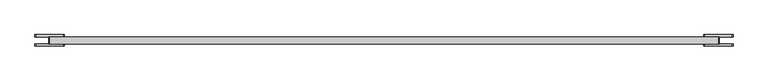
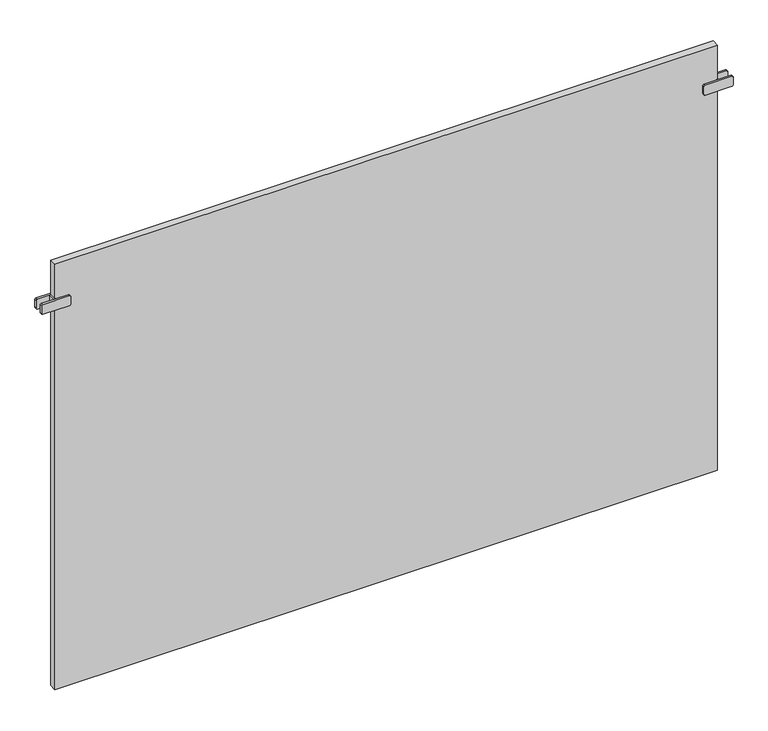
"""IFC4 building model written with IfcOpenShell, lengths in millimetres: plate geometry."""

from ifc_helpers import new_model, si_unit, point, frame, frame_2d, origin, origin_with_axes, place, context, project, spatial, polyline, circle_curve, trimmed, segment, composite_curve, outline, extrude, source, transform, mapped, element, save


def plate_7f13df46(model_context):
    return source(origin(), model_context, "Body", "SweptSolid", [
        extrude(outline(polyline([(-797.5000001, -8.75), (-797.5000001, 8.75), (-792.5000001, 8.75), (-792.5000001, -8.75), (-797.5000001, -8.75)])), frame((0.0, 0.0, 966.5), z_axis=(0.0, 0.0, 1.0), x_axis=(1.0, 0.0, 0.0)), (0.0, 0.0, 1.0), 25.0),
        extrude(outline(composite_curve([segment(trimmed(circle_curve(frame_2d((969.5, -763.0000001)), 3.0), [point((966.5, -763.0000001))], [point((969.5, -760.0000001))], False, "CARTESIAN"), True, "CONTINUOUS"), segment(polyline([(969.5, -760.0000001), (988.5, -760.0000001)]), True, "CONTINUOUS"), segment(trimmed(circle_curve(frame_2d((988.5, -763.0000001)), 3.0), [point((988.5, -760.0000001))], [point((991.5, -763.0000001))], False, "CARTESIAN"), True, "CONTINUOUS"), segment(polyline([(991.5, -763.0000001), (991.5, -827.0000001)]), True, "CONTINUOUS"), segment(trimmed(circle_curve(frame_2d((988.5, -827.0000001)), 3.0), [point((991.5, -827.0000001))], [point((988.5, -830.0000001))], False, "CARTESIAN"), True, "CONTINUOUS"), segment(polyline([(988.5, -830.0000001), (969.5, -830.0000001)]), True, "CONTINUOUS"), segment(trimmed(circle_curve(frame_2d((969.5, -827.0000001)), 3.0), [point((969.5, -830.0000001))], [point((966.5, -827.0000001))], False, "CARTESIAN"), True, "CONTINUOUS"), segment(polyline([(966.5, -827.0000001), (966.5, -763.0000001)]), True, "CONTINUOUS")], self_intersect=False)), frame((0.0, 8.75, 0.0), z_axis=(0.0, 1.0, 0.0), x_axis=(0.0, 0.0, 1.0)), (0.0, 0.0, 1.0), 5.0),
        extrude(outline(composite_curve([segment(trimmed(circle_curve(frame_2d((969.5, -763.0000001)), 3.0), [point((966.5, -763.0000001))], [point((969.5, -760.0000001))], False, "CARTESIAN"), True, "CONTINUOUS"), segment(polyline([(969.5, -760.0000001), (988.5, -760.0000001)]), True, "CONTINUOUS"), segment(trimmed(circle_curve(frame_2d((988.5, -763.0000001)), 3.0), [point((988.5, -760.0000001))], [point((991.5, -763.0000001))], False, "CARTESIAN"), True, "CONTINUOUS"), segment(polyline([(991.5, -763.0000001), (991.5, -827.0000001)]), True, "CONTINUOUS"), segment(trimmed(circle_curve(frame_2d((988.5, -827.0000001)), 3.0), [point((991.5, -827.0000001))], [point((988.5, -830.0000001))], False, "CARTESIAN"), True, "CONTINUOUS"), segment(polyline([(988.5, -830.0000001), (969.5, -830.0000001)]), True, "CONTINUOUS"), segment(trimmed(circle_curve(frame_2d((969.5, -827.0000001)), 3.0), [point((969.5, -830.0000001))], [point((966.5, -827.0000001))], False, "CARTESIAN"), True, "CONTINUOUS"), segment(polyline([(966.5, -827.0000001), (966.5, -763.0000001)]), True, "CONTINUOUS")], self_intersect=False)), frame((0.0, -13.75, 0.0), z_axis=(0.0, 1.0, 0.0), x_axis=(0.0, 0.0, 1.0)), (0.0, 0.0, 1.0), 5.0),
        extrude(outline(polyline([(797.5000001, -8.75), (792.5000001, -8.75), (792.5000001, 8.75), (797.5000001, 8.75), (797.5000001, -8.75)])), frame((0.0, 0.0, 966.5), z_axis=(0.0, 0.0, 1.0), x_axis=(1.0, 0.0, 0.0)), (0.0, 0.0, 1.0), 25.0),
        extrude(outline(composite_curve([segment(polyline([(966.5, 763.0000001), (966.5, 827.0000001)]), True, "CONTINUOUS"), segment(trimmed(circle_curve(frame_2d((969.5, 827.0000001)), 3.0), [point((966.5, 827.0000001))], [point((969.5, 830.0000001))], False, "CARTESIAN"), True, "CONTINUOUS"), segment(polyline([(969.5, 830.0000001), (988.5, 830.0000001)]), True, "CONTINUOUS"), segment(trimmed(circle_curve(frame_2d((988.5, 827.0000001)), 3.0), [point((988.5, 830.0000001))], [point((991.5, 827.0000001))], False, "CARTESIAN"), True, "CONTINUOUS"), segment(polyline([(991.5, 827.0000001), (991.5, 763.0000001)]), True, "CONTINUOUS"), segment(trimmed(circle_curve(frame_2d((988.5, 763.0000001)), 3.0), [point((991.5, 763.0000001))], [point((988.5, 760.0000001))], False, "CARTESIAN"), True, "CONTINUOUS"), segment(polyline([(988.5, 760.0000001), (969.5, 760.0000001)]), True, "CONTINUOUS"), segment(trimmed(circle_curve(frame_2d((969.5, 763.0000001)), 3.0), [point((969.5, 760.0000001))], [point((966.5, 763.0000001))], False, "CARTESIAN"), True, "CONTINUOUS")], self_intersect=False)), frame((0.0, 8.75, 0.0), z_axis=(0.0, 1.0, 0.0), x_axis=(0.0, 0.0, 1.0)), (0.0, 0.0, 1.0), 5.0),
        extrude(outline(composite_curve([segment(polyline([(966.5, 763.0000001), (966.5, 827.0000001)]), True, "CONTINUOUS"), segment(trimmed(circle_curve(frame_2d((969.5, 827.0000001)), 3.0), [point((966.5, 827.0000001))], [point((969.5, 830.0000001))], False, "CARTESIAN"), True, "CONTINUOUS"), segment(polyline([(969.5, 830.0000001), (988.5, 830.0000001)]), True, "CONTINUOUS"), segment(trimmed(circle_curve(frame_2d((988.5, 827.0000001)), 3.0), [point((988.5, 830.0000001))], [point((991.5, 827.0000001))], False, "CARTESIAN"), True, "CONTINUOUS"), segment(polyline([(991.5, 827.0000001), (991.5, 763.0000001)]), True, "CONTINUOUS"), segment(trimmed(circle_curve(frame_2d((988.5, 763.0000001)), 3.0), [point((991.5, 763.0000001))], [point((988.5, 760.0000001))], False, "CARTESIAN"), True, "CONTINUOUS"), segment(polyline([(988.5, 760.0000001), (969.5, 760.0000001)]), True, "CONTINUOUS"), segment(trimmed(circle_curve(frame_2d((969.5, 763.0000001)), 3.0), [point((969.5, 760.0000001))], [point((966.5, 763.0000001))], False, "CARTESIAN"), True, "CONTINUOUS")], self_intersect=False)), frame((0.0, -13.75, 0.0), z_axis=(0.0, 1.0, 0.0), x_axis=(0.0, 0.0, 1.0)), (0.0, 0.0, 1.0), 5.0),
        extrude(outline(polyline([(795.0000001, 8.75), (795.0000001, -8.75), (-795.0000001, -8.75), (-795.0000001, 8.75), (795.0000001, 8.75)])), origin_with_axes(), (0.0, 0.0, 1.0), 1079.0),
    ])


if __name__ == "__main__":
    model = new_model("IFC4")
    model_context = context("Model", 3, world=origin())
    ifc_project = project(units=[si_unit("LENGTHUNIT", "METRE", prefix="MILLI")], contexts=[model_context])
    site = spatial("IfcSite", under=ifc_project)
    building = spatial("IfcBuilding", under=site)
    placement = place(None, origin())
    plate_shape = plate_7f13df46(model_context)
    element("IfcPlate", 1, at=placement, inside=building, context=model_context, shape_type="MappedRepresentation", body=[
        mapped(plate_shape, transform((0.0, 0.0, 0.0), x_axis=(1.0, 0.0, 0.0), y_axis=(0.0, 1.0, 0.0), z_axis=(0.0, 0.0, 1.0))),
    ])
    save(model, "model.ifc")
